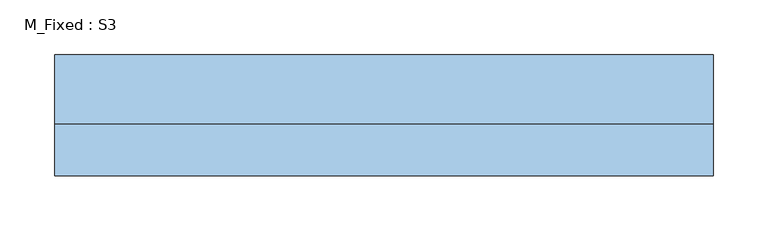
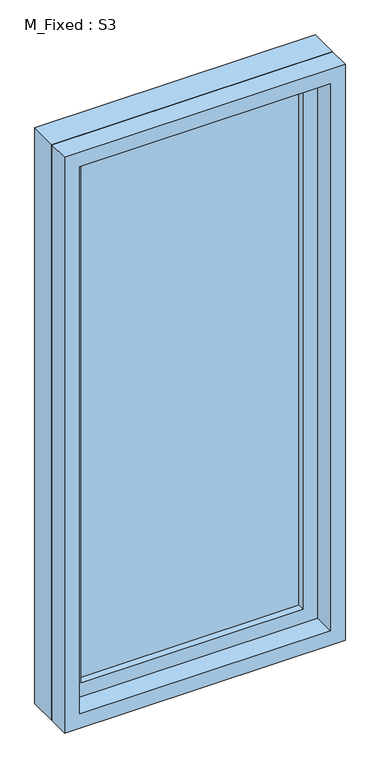
"""IFC4 building model written with IfcOpenShell, lengths in millimetres: window geometry, M_Fixed : S3."""

from ifc_helpers import new_model, si_unit, frame, origin, place, context, project, spatial, polyline, outline, extrude, source, transform, mapped, element, save


def m_fixed_s3_3047b790(model_context):
    return source(origin(), model_context, "Body", "SweptSolid", [
        extrude(outline(polyline([(-237.0, 33.0), (237.0, 33.0), (237.0, 21.0), (-237.0, 21.0), (-237.0, 33.0)])), frame((0.0, 0.0, 978.0), z_axis=(0.0, 0.0, 1.0), x_axis=(1.0, 0.0, 0.0)), (0.0, 0.0, 1.0), 1174.0),
        extrude(outline(polyline([(2196.0, -281.0), (934.0, -281.0), (934.0, 281.0), (2196.0, 281.0), (2196.0, -281.0)]), holes=[polyline([(2152.0, -237.0), (2152.0, 237.0), (978.0, 237.0), (978.0, -237.0), (2152.0, -237.0)])]), frame((0.0, 5.0, 0.0), z_axis=(0.0, 1.0, 0.0), x_axis=(0.0, 0.0, 1.0)), (0.0, 0.0, 1.0), 44.0),
        extrude(outline(polyline([(2215.0, -300.0), (915.0, -300.0), (915.0, 300.0), (2215.0, 300.0), (2215.0, -300.0)]), holes=[polyline([(2196.0, -281.0), (2196.0, 281.0), (934.0, 281.0), (934.0, -281.0), (2196.0, -281.0)])]), frame((0.0, 5.0, 0.0), z_axis=(0.0, 1.0, 0.0), x_axis=(0.0, 0.0, 1.0)), (0.0, 0.0, 1.0), 63.0),
        extrude(outline(polyline([(2215.0, -300.0), (915.0, -300.0), (915.0, 300.0), (2215.0, 300.0), (2215.0, -300.0)]), holes=[polyline([(2183.0, -268.0), (2183.0, 268.0), (947.0, 268.0), (947.0, -268.0), (2183.0, -268.0)])]), frame((0.0, -42.0, 0.0), z_axis=(0.0, 1.0, 0.0), x_axis=(0.0, 0.0, 1.0)), (0.0, 0.0, 1.0), 47.0),
    ])


if __name__ == "__main__":
    model = new_model("IFC4")
    model_context = context("Model", 3, world=origin())
    ifc_project = project(units=[si_unit("LENGTHUNIT", "METRE", prefix="MILLI")], contexts=[model_context])
    site = spatial("IfcSite", under=ifc_project)
    building = spatial("IfcBuilding", under=site)
    placement = place(None, origin())
    m_fixed_s3_shape = m_fixed_s3_3047b790(model_context)
    element("IfcWindow", 1, ObjectType="M_Fixed : S3", at=placement, inside=building, context=model_context, shape_type="MappedRepresentation", body=[
        mapped(m_fixed_s3_shape, transform((0.0, 0.0, 0.0), x_axis=(1.0, 0.0, 0.0), y_axis=(0.0, 1.0, 0.0), z_axis=(0.0, 0.0, 1.0))),
    ])
    save(model, "model.ifc")
